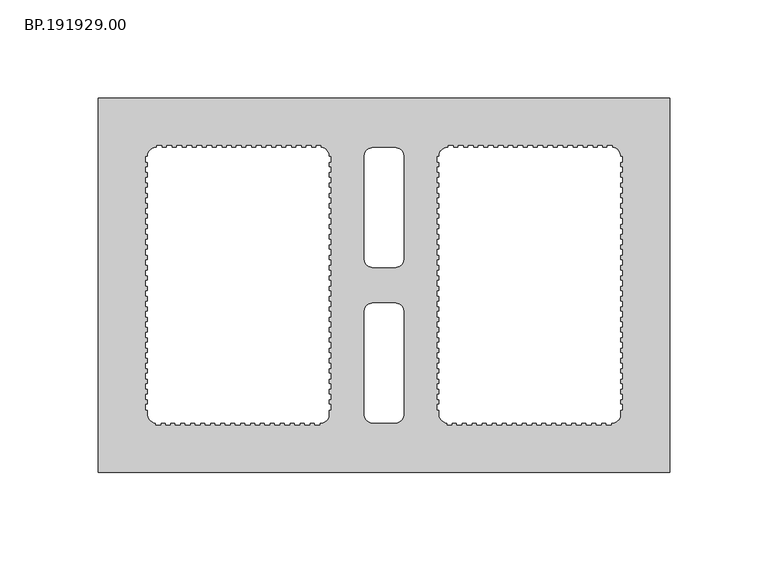
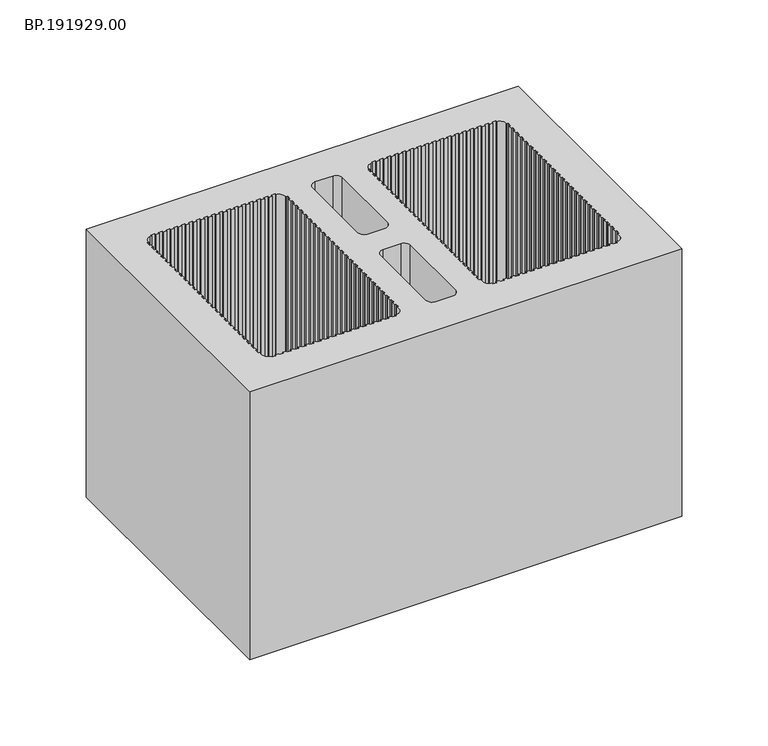
"""IFC4 building model written with IfcOpenShell, lengths in millimetres: proxy geometry, BP.191929.00."""

import ifcopenshell
import ifcopenshell.guid

model = None  # the IFC model being written
_history = None  # IfcOwnerHistory: only IFC2X3 demands one
_inside = {}  # id of a spatial element -> (the spatial element, [elements in it])
_under = {}  # id of a project, library or spatial element -> (it, [spatial elements below it])
_declared = {}  # id of a project -> (the project, [libraries it declares])
_typed = {}  # id of a type object -> (the type object, [elements of that type])
_made_of = {}  # id of a material, layer set ... -> (it, [elements and type objects made of it])


def new_model(schema):
    """Start an empty IFC model of exactly this schema.

    Asked for "IFC4X3", IfcOpenShell would pick the latest addendum, in which some entities
    have other attributes; the version numbers below select the first issue.
    IFC2X3 requires an IfcOwnerHistory on every rooted entity: one is made here for all.
    """
    global model, _history
    if schema == "IFC4X3":
        model = ifcopenshell.file(schema_version=(4, 3, 0, 0))
    else:
        model = ifcopenshell.file(schema=schema)
    _inside.clear()
    _under.clear()
    _declared.clear()
    _typed.clear()
    _made_of.clear()
    _history = None
    if model.schema == "IFC2X3":
        org = make("IfcOrganization", Name="unknown")
        user = make(
            "IfcPersonAndOrganization",
            ThePerson=make("IfcPerson", FamilyName="unknown"),
            TheOrganization=org,
        )
        app = make(
            "IfcApplication",
            ApplicationDeveloper=org,
            Version="unknown",
            ApplicationFullName="unknown",
            ApplicationIdentifier="unknown",
        )
        _history = make(
            "IfcOwnerHistory",
            OwningUser=user,
            OwningApplication=app,
            ChangeAction="ADDED",
            CreationDate=0,
        )
    return model


def make(cls, **values):
    """One entity of the class cls with the attributes given. An attribute that is None is left unset."""
    return model.create_entity(
        cls, **{name: value for name, value in values.items() if value is not None}
    )


def rooted(cls, **values):
    """An entity with a GlobalId (a new one), such as an element, a storey or a relation."""
    return make(cls, GlobalId=ifcopenshell.guid.new(), OwnerHistory=_history, **values)


def si_unit(unit_type, name, prefix=None):
    """IfcSIUnit, for example si_unit("LENGTHUNIT", "METRE", prefix="MILLI")."""
    return make("IfcSIUnit", UnitType=unit_type, Prefix=prefix, Name=name)


def assignment(units):
    """IfcUnitAssignment: the units of a project."""
    return None if units is None else make("IfcUnitAssignment", Units=units)


def point(xyz):
    """IfcCartesianPoint."""
    return None if xyz is None else make("IfcCartesianPoint", Coordinates=xyz)


def direction(xyz):
    """IfcDirection."""
    return None if xyz is None else make("IfcDirection", DirectionRatios=xyz)


def frame(location, z_axis=None, x_axis=None):
    """IfcAxis2Placement3D, a coordinate frame: its origin and axes. An axis left out is left unset."""
    return make(
        "IfcAxis2Placement3D",
        Location=point(location),
        Axis=direction(z_axis),
        RefDirection=direction(x_axis),
    )


def frame_2d(location, x_axis=None):
    """IfcAxis2Placement2D, a coordinate frame in the plane: its origin and x axis."""
    return make(
        "IfcAxis2Placement2D", Location=point(location), RefDirection=direction(x_axis)
    )


def origin():
    """The frame at (0, 0, 0) with its axes left unset."""
    return frame((0.0, 0.0, 0.0))


def origin_with_axes():
    """The frame at (0, 0, 0) with the z axis (0, 0, 1) and the x axis (1, 0, 0) written out."""
    return frame((0.0, 0.0, 0.0), z_axis=(0.0, 0.0, 1.0), x_axis=(1.0, 0.0, 0.0))


def place(relative_to, where):
    """IfcLocalPlacement: puts the frame where relative to a parent placement (None: the world)."""
    return make(
        "IfcLocalPlacement", PlacementRelTo=relative_to, RelativePlacement=where
    )


def context(
    kind, dimensions, precision=None, world=None, true_north=None, identifier=None
):
    """IfcGeometricRepresentationContext, for example the 3D "Model" context."""
    return make(
        "IfcGeometricRepresentationContext",
        ContextIdentifier=identifier,
        ContextType=kind,
        CoordinateSpaceDimension=dimensions,
        Precision=precision,
        WorldCoordinateSystem=world,
        TrueNorth=true_north,
    )


def project(units=None, contexts=None):
    """IfcProject with its units and contexts."""
    return rooted(
        "IfcProject",
        Name="project",
        RepresentationContexts=contexts,
        UnitsInContext=assignment(units),
    )


def spatial(cls, under=None, at=None, **own):
    """A site, building, storey or space (cls), placed at a placement, below another one or the project."""
    s = rooted(cls, ObjectPlacement=at, **own)
    if under is not None:
        _under.setdefault(under.id(), (under, []))[1].append(s)
    return s


def polyline(points):
    """IfcPolyline through the points."""
    return make("IfcPolyline", Points=[point(p) for p in points])


def circle_curve(where, radius):
    """IfcCircle in the frame where."""
    return make("IfcCircle", Position=where, Radius=radius)


def trimmed(basis, trim1, trim2, sense, master):
    """IfcTrimmedCurve: the piece of a basis curve between two trims."""
    return make(
        "IfcTrimmedCurve",
        BasisCurve=basis,
        Trim1=trim1,
        Trim2=trim2,
        SenseAgreement=sense,
        MasterRepresentation=master,
    )


def segment(curve, same_sense, transition):
    """IfcCompositeCurveSegment."""
    return make(
        "IfcCompositeCurveSegment",
        Transition=transition,
        SameSense=same_sense,
        ParentCurve=curve,
    )


def composite_curve(segments, self_intersect=None):
    """IfcCompositeCurve: segments joined end to end."""
    return make("IfcCompositeCurve", Segments=segments, SelfIntersect=self_intersect)


def outline(outer, holes=None, kind="AREA"):
    """IfcArbitraryClosedProfileDef: a profile drawn as a closed curve; with holes, ...WithVoids."""
    if holes is None:
        return make("IfcArbitraryClosedProfileDef", ProfileType=kind, OuterCurve=outer)
    return make(
        "IfcArbitraryProfileDefWithVoids",
        ProfileType=kind,
        OuterCurve=outer,
        InnerCurves=holes,
    )


def extrude(swept, where, along, depth):
    """IfcExtrudedAreaSolid: the profile swept, set in the frame where, extruded along a direction by depth."""
    return make(
        "IfcExtrudedAreaSolid",
        SweptArea=swept,
        Position=where,
        ExtrudedDirection=direction(along),
        Depth=depth,
    )


def shape(context_of_items, identifier, shape_type, items):
    """IfcShapeRepresentation: the items that make up one representation, for example the "Body"."""
    return make(
        "IfcShapeRepresentation",
        ContextOfItems=context_of_items,
        RepresentationIdentifier=identifier,
        RepresentationType=shape_type,
        Items=items,
    )


def source(mapping_origin, context_of_items, identifier, shape_type, items):
    """IfcRepresentationMap: a shape defined once, which mapped items show again and again."""
    return make(
        "IfcRepresentationMap",
        MappingOrigin=mapping_origin,
        MappedRepresentation=shape(context_of_items, identifier, shape_type, items),
    )


def transform(
    local_origin,
    x_axis=None,
    y_axis=None,
    z_axis=None,
    scale=None,
    scale2=None,
    scale3=None,
    uniform=True,
):
    """IfcCartesianTransformationOperator3D, or its non-uniform kind. x_axis, y_axis, z_axis: its Axis1, 2, 3."""
    if uniform:
        return make(
            "IfcCartesianTransformationOperator3D",
            Axis1=direction(x_axis),
            Axis2=direction(y_axis),
            LocalOrigin=point(local_origin),
            Scale=scale,
            Axis3=direction(z_axis),
        )
    return make(
        "IfcCartesianTransformationOperator3DnonUniform",
        Axis1=direction(x_axis),
        Axis2=direction(y_axis),
        LocalOrigin=point(local_origin),
        Scale=scale,
        Axis3=direction(z_axis),
        Scale2=scale2,
        Scale3=scale3,
    )


def mapped(mapping_source, mapping_target):
    """IfcMappedItem: shows the shape of a source again, moved by a transform."""
    return make(
        "IfcMappedItem", MappingSource=mapping_source, MappingTarget=mapping_target
    )


def made_of(thing, what):
    """Note that an element or type object is made of a material, layer set ...; save() writes the relation."""
    if what is not None:
        _made_of.setdefault(what.id(), (what, []))[1].append(thing)
    return thing


def element(
    cls,
    number,
    at=None,
    inside=None,
    cuts=None,
    type_object=None,
    material=None,
    context=None,
    identifier="Body",
    shape_type=None,
    held_by="IfcProductDefinitionShape",
    body=None,
    shapes=None,
    **own,
):
    """One element of the class cls, such as IfcWall. Its Tag is "e" and its number.

    at: its placement. inside: the storey or other place that contains it. cuts: it is an
    opening in that element (IfcRelVoidsElement). A single representation is given by context,
    identifier, shape_type and body (its items); several are given by shapes. held_by: the class
    of the entity that holds the representations. save() writes the other relations.
    """
    e = rooted(cls, Tag="e%d" % number, ObjectPlacement=at, **own)
    if body is not None:
        shapes = [shape(context, identifier, shape_type, body)]
    if shapes is not None:
        e.Representation = make(held_by, Representations=shapes)
    if inside is not None:
        _inside.setdefault(inside.id(), (inside, []))[1].append(e)
    if cuts is not None:
        rooted(
            "IfcRelVoidsElement", RelatingBuildingElement=cuts, RelatedOpeningElement=e
        )
    if type_object is not None:
        _typed.setdefault(type_object.id(), (type_object, []))[1].append(e)
    return made_of(e, material)


def aggregate(whole, parts):
    """IfcRelAggregates: a whole, such as a stair, and the parts it consists of."""
    return rooted("IfcRelAggregates", RelatingObject=whole, RelatedObjects=parts)


def save(model, path):
    """Write the relations noted so far, then the file.

    IfcRelAggregates (storeys below a building ...), IfcRelContainedInSpatialStructure (elements
    in a storey), IfcRelDefinesByType, IfcRelAssociatesMaterial and IfcRelDeclares: one each for
    every whole, place, type object, material and project.
    """
    for whole, parts in _under.values():
        aggregate(whole, parts)
    for where, things in _inside.values():
        rooted(
            "IfcRelContainedInSpatialStructure",
            RelatedElements=things,
            RelatingStructure=where,
        )
    for kind, things in _typed.values():
        rooted("IfcRelDefinesByType", RelatedObjects=things, RelatingType=kind)
    for what, things in _made_of.values():
        rooted("IfcRelAssociatesMaterial", RelatedObjects=things, RelatingMaterial=what)
    for by, libraries in _declared.values():
        rooted("IfcRelDeclares", RelatingContext=by, RelatedDefinitions=libraries)
    model.write(path)


def bp_191929_00_f88e4eef(model_context):
    return source(origin(), model_context, "Body", "SweptSolid", [
        extrude(outline(polyline([(295.0, 95.0050792), (295.0, -95.0050293), (5.0, -95.0050293), (5.0, 95.0050792), (295.0, 95.0050792)]), holes=[composite_curve([segment(trimmed(circle_curve(frame_2d((155.5251263, 65.5251762)), 4.5), [point((160.0, 66.0000499))], [point((156.0, 70.0000499))], True, "CARTESIAN"), True, "CONTINUOUS"), segment(polyline([(156.0, 70.0000499), (144.0, 70.0000499)]), True, "CONTINUOUS"), segment(trimmed(circle_curve(frame_2d((144.4748737, 65.5251762)), 4.5), [point((144.0, 70.0000499))], [point((140.0, 66.0000499))], True, "CARTESIAN"), True, "CONTINUOUS"), segment(polyline([(140.0, 66.0000499), (140.0, 13.0)]), True, "CONTINUOUS"), segment(trimmed(circle_curve(frame_2d((144.4748737, 13.4748737)), 4.5), [point((140.0, 13.0))], [point((144.0, 9.0))], True, "CARTESIAN"), True, "CONTINUOUS"), segment(polyline([(144.0, 9.0), (156.0, 9.0)]), True, "CONTINUOUS"), segment(trimmed(circle_curve(frame_2d((155.5251263, 13.4748737)), 4.5), [point((156.0, 9.0))], [point((160.0, 13.0))], True, "CARTESIAN"), True, "CONTINUOUS"), segment(polyline([(160.0, 13.0), (160.0, 66.0000499)]), True, "CONTINUOUS")], self_intersect=False), composite_curve([segment(trimmed(circle_curve(frame_2d((155.5251263, -13.4748737)), 4.5), [point((160.0, -13.0))], [point((156.0, -9.0))], True, "CARTESIAN"), True, "CONTINUOUS"), segment(polyline([(156.0, -9.0), (144.0, -9.0)]), True, "CONTINUOUS"), segment(trimmed(circle_curve(frame_2d((144.4748737, -13.4748737)), 4.5), [point((144.0, -9.0))], [point((140.0, -13.0))], True, "CARTESIAN"), True, "CONTINUOUS"), segment(polyline([(140.0, -13.0), (140.0, -66.0048718)]), True, "CONTINUOUS"), segment(trimmed(circle_curve(frame_2d((144.4748737, -65.529998)), 4.5), [point((140.0, -66.0048718))], [point((144.0, -70.0048718))], True, "CARTESIAN"), True, "CONTINUOUS"), segment(polyline([(144.0, -70.0048718), (156.0, -70.0048718)]), True, "CONTINUOUS"), segment(trimmed(circle_curve(frame_2d((155.5251263, -65.529998)), 4.5), [point((156.0, -70.0048718))], [point((160.0, -66.0048718))], True, "CARTESIAN"), True, "CONTINUOUS"), segment(polyline([(160.0, -66.0048718), (160.0, -13.0)]), True, "CONTINUOUS")], self_intersect=False), composite_curve([segment(polyline([(182.6750499, 71.0), (182.6750499, 70.0), (181.4383621, 70.0)]), True, "CONTINUOUS"), segment(trimmed(circle_curve(frame_2d((182.3967987, 65.6032513)), 4.5), [point((181.4383621, 70.0))], [point((178.0000499, 66.5616878))], True, "CARTESIAN"), True, "CONTINUOUS"), segment(polyline([(178.0000499, 66.5616878), (178.0000499, 65.2989234), (177.0000499, 65.2989234), (177.0000499, 62.6763775), (178.0000499, 62.6763775), (178.0000499, 60.0538315), (177.0000499, 60.0538315), (177.0000499, 57.4312856), (178.0000499, 57.4312856), (178.0000499, 54.8087397), (177.0000499, 54.8087397), (177.0000499, 52.1861938), (178.0000499, 52.1861938), (178.0000499, 49.5636479), (177.0000499, 49.5636479), (177.0000499, 46.941102), (178.0000499, 46.941102), (178.0000499, 44.318556), (177.0000499, 44.318556), (177.0000499, 41.6960101), (178.0000499, 41.6960101), (178.0000499, 39.0734642), (177.0000499, 39.0734642), (177.0000499, 36.4509183), (178.0000499, 36.4509183), (178.0000499, 33.8283724), (177.0000499, 33.8283724), (177.0000499, 31.2058265), (178.0000499, 31.2058265), (178.0000499, 28.5832806), (177.0000499, 28.5832806), (177.0000499, 25.9607346), (178.0000499, 25.9607346), (178.0000499, 23.3381887), (177.0000499, 23.3381887), (177.0000499, 20.7156428), (178.0000499, 20.7156428), (178.0000499, 18.0930969), (177.0000499, 18.0930969), (177.0000499, 15.470551), (178.0000499, 15.470551), (178.0000499, 12.8480051), (177.0000499, 12.8480051), (177.0000499, 10.2254592), (178.0000499, 10.2254592), (178.0000499, 7.6029132), (177.0000499, 7.6029132), (177.0000499, 4.9803673), (178.0000499, 4.9803673), (178.0000499, 2.3578214), (177.0000499, 2.3578214), (177.0000499, -0.2647245), (178.0000499, -0.2647245), (178.0000499, -2.8872704), (177.0000499, -2.8872704), (177.0000499, -5.5098163), (178.0000499, -5.5098163), (178.0000499, -8.1323623), (177.0000499, -8.1323623), (177.0000499, -10.7549082), (178.0000499, -10.7549082), (178.0000499, -13.3774541), (177.0000499, -13.3774541), (177.0000499, -16.0), (178.0000499, -16.0), (178.0000499, -18.6225459), (177.0000499, -18.6225459), (177.0000499, -21.2450918), (178.0000499, -21.2450918), (178.0000499, -23.8676377), (177.0000499, -23.8676377), (177.0000499, -26.4901837), (178.0000499, -26.4901837), (178.0000499, -29.1127296), (177.0000499, -29.1127296), (177.0000499, -31.7352755), (178.0000499, -31.7352755), (178.0000499, -34.3578214), (177.0000499, -34.3578214), (177.0000499, -36.9803673), (178.0000499, -36.9803673), (178.0000499, -39.6029132), (177.0000499, -39.6029132), (177.0000499, -42.2254592), (178.0000499, -42.2254592), (178.0000499, -44.8480051), (177.0000499, -44.8480051), (177.0000499, -47.470551), (178.0000499, -47.470551), (178.0000499, -50.0930969), (177.0000499, -50.0930969), (177.0000499, -52.7156428), (178.0000499, -52.7156428), (178.0000499, -55.3381887), (177.0000499, -55.3381887), (177.0000499, -57.9607346), (178.0000499, -57.9607346), (178.0000499, -60.5832806), (177.0000499, -60.5832806), (177.0000499, -63.2058265), (178.0000499, -63.2058265), (178.0000499, -66.0)]), True, "CONTINUOUS"), segment(trimmed(circle_curve(frame_2d((182.4749237, -65.5251263)), 4.5), [point((178.0000499, -66.0))], [point((182.0000499, -70.0))], True, "CARTESIAN"), True, "CONTINUOUS"), segment(polyline([(182.0000499, -70.0), (182.0000499, -71.0), (184.5250499, -71.0), (184.5250499, -70.0), (187.0500499, -70.0), (187.0500499, -71.0), (189.5750499, -71.0), (189.5750499, -70.0), (192.1000499, -70.0), (192.1000499, -71.0), (194.6250499, -71.0), (194.6250499, -70.0), (197.1500499, -70.0), (197.1500499, -71.0), (199.6750499, -71.0), (199.6750499, -70.0), (202.2000499, -70.0), (202.2000499, -71.0), (204.7250499, -71.0), (204.7250499, -70.0), (207.2500499, -70.0), (207.2500499, -71.0), (209.7750499, -71.0), (209.7750499, -70.0), (212.3000499, -70.0), (212.3000499, -71.0), (214.8250499, -71.0), (214.8250499, -70.0), (217.3500499, -70.0), (217.3500499, -71.0), (219.8750499, -71.0), (219.8750499, -70.0), (222.4000499, -70.0), (222.4000499, -71.0), (224.9250499, -71.0), (224.9250499, -70.0), (227.4500499, -70.0), (227.4500499, -71.0), (229.9750499, -71.0), (229.9750499, -70.0), (232.5000499, -70.0), (232.5000499, -71.0), (235.0250499, -71.0), (235.0250499, -70.0), (237.5500499, -70.0), (237.5500499, -71.0), (240.0750499, -71.0), (240.0750499, -70.0), (242.6000499, -70.0), (242.6000499, -71.0), (245.1250499, -71.0), (245.1250499, -70.0), (247.6500499, -70.0), (247.6500499, -71.0), (250.1750499, -71.0), (250.1750499, -70.0), (252.7000499, -70.0), (252.7000499, -71.0), (255.2250499, -71.0), (255.2250499, -70.0), (257.7500499, -70.0), (257.7500499, -71.0), (260.2750499, -71.0), (260.2750499, -70.0), (262.8000499, -70.0), (262.8000499, -71.0), (265.3250499, -71.0), (265.3250499, -70.0), (266.1562999, -70.0)]), True, "CONTINUOUS"), segment(trimmed(circle_curve(frame_2d((265.6814262, -65.5251263)), 4.5), [point((266.1562999, -70.0))], [point((270.0000499, -66.7898353))], True, "CARTESIAN"), True, "CONTINUOUS"), segment(polyline([(270.0000499, -66.7898353), (270.0000499, -63.2058265), (271.0000499, -63.2058265), (271.0000499, -60.5832806), (270.0000499, -60.5832806), (270.0000499, -57.9607346), (271.0000499, -57.9607346), (271.0000499, -55.3381887), (270.0000499, -55.3381887), (270.0000499, -52.7156428), (271.0000499, -52.7156428), (271.0000499, -50.0930969), (270.0000499, -50.0930969), (270.0000499, -47.470551), (271.0000499, -47.470551), (271.0000499, -44.8480051), (270.0000499, -44.8480051), (270.0000499, -42.2254592), (271.0000499, -42.2254592), (271.0000499, -39.6029132), (270.0000499, -39.6029132), (270.0000499, -36.9803673), (271.0000499, -36.9803673), (271.0000499, -34.3578214), (270.0000499, -34.3578214), (270.0000499, -31.7352755), (271.0000499, -31.7352755), (271.0000499, -29.1127296), (270.0000499, -29.1127296), (270.0000499, -26.4901837), (271.0000499, -26.4901837), (271.0000499, -23.8676377), (270.0000499, -23.8676377), (270.0000499, -21.2450918), (271.0000499, -21.2450918), (271.0000499, -18.6225459), (270.0000499, -18.6225459), (270.0000499, -16.0), (271.0000499, -16.0), (271.0000499, -13.3774541), (270.0000499, -13.3774541), (270.0000499, -10.7549082), (271.0000499, -10.7549082), (271.0000499, -8.1323623), (270.0000499, -8.1323623), (270.0000499, -5.5098163), (271.0000499, -5.5098163), (271.0000499, -2.8872704), (270.0000499, -2.8872704), (270.0000499, -0.2647245), (271.0000499, -0.2647245), (271.0000499, 2.3578214), (270.0000499, 2.3578214), (270.0000499, 4.9803673), (271.0000499, 4.9803673), (271.0000499, 7.6029132), (270.0000499, 7.6029132), (270.0000499, 10.2254592), (271.0000499, 10.2254592), (271.0000499, 12.8480051), (270.0000499, 12.8480051), (270.0000499, 15.470551), (271.0000499, 15.470551), (271.0000499, 18.0930969), (270.0000499, 18.0930969), (270.0000499, 20.7156428), (271.0000499, 20.7156428), (271.0000499, 23.3381887), (270.0000499, 23.3381887), (270.0000499, 25.9607346), (271.0000499, 25.9607346), (271.0000499, 28.5832806), (270.0000499, 28.5832806), (270.0000499, 31.2058265), (271.0000499, 31.2058265), (271.0000499, 33.8283724), (270.0000499, 33.8283724), (270.0000499, 36.4509183), (271.0000499, 36.4509183), (271.0000499, 39.0734642), (270.0000499, 39.0734642), (270.0000499, 41.6960101), (271.0000499, 41.6960101), (271.0000499, 44.318556), (270.0000499, 44.318556), (270.0000499, 46.941102), (271.0000499, 46.941102), (271.0000499, 49.5636479), (270.0000499, 49.5636479), (270.0000499, 52.1861938), (271.0000499, 52.1861938), (271.0000499, 54.8087397), (270.0000499, 54.8087397), (270.0000499, 57.4312856), (271.0000499, 57.4312856), (271.0000499, 60.0538315), (270.0000499, 60.0538315), (270.0000499, 62.6763775), (271.0000499, 62.6763775), (271.0000499, 65.2989234), (270.0000499, 65.2989234), (270.0000499, 66.1171875)]), True, "CONTINUOUS"), segment(trimmed(circle_curve(frame_2d((265.5251762, 65.6423138)), 4.5), [point((270.0000499, 66.1171875))], [point((266.0000499, 70.1171875))], True, "CARTESIAN"), True, "CONTINUOUS"), segment(polyline([(266.0000499, 70.1171875), (266.0000499, 71.0), (263.4750499, 71.0), (263.4750499, 70.0), (260.9500499, 70.0), (260.9500499, 71.0), (258.4250499, 71.0), (258.4250499, 70.0), (255.9000499, 70.0), (255.9000499, 71.0), (253.3750499, 71.0), (253.3750499, 70.0), (250.8500499, 70.0), (250.8500499, 71.0), (248.3250499, 71.0), (248.3250499, 70.0), (245.8000499, 70.0), (245.8000499, 71.0), (243.2750499, 71.0), (243.2750499, 70.0), (240.7500499, 70.0), (240.7500499, 71.0), (238.2250499, 71.0), (238.2250499, 70.0), (235.7000499, 70.0), (235.7000499, 71.0), (233.1750499, 71.0), (233.1750499, 70.0), (230.6500499, 70.0), (230.6500499, 71.0), (228.1250499, 71.0), (228.1250499, 70.0), (225.6000499, 70.0), (225.6000499, 71.0), (223.0750499, 71.0), (223.0750499, 70.0), (220.5500499, 70.0), (220.5500499, 71.0), (218.0250499, 71.0), (218.0250499, 70.0), (215.5000499, 70.0), (215.5000499, 71.0), (212.9750499, 71.0), (212.9750499, 70.0), (210.4500499, 70.0), (210.4500499, 71.0), (207.9250499, 71.0), (207.9250499, 70.0), (205.4000499, 70.0), (205.4000499, 71.0), (202.8750499, 71.0), (202.8750499, 70.0), (200.3500499, 70.0), (200.3500499, 71.0), (197.8250499, 71.0), (197.8250499, 70.0), (195.3000499, 70.0), (195.3000499, 71.0), (192.7750499, 71.0), (192.7750499, 70.0), (190.2500499, 70.0), (190.2500499, 71.0), (187.7250499, 71.0), (187.7250499, 70.0), (185.2000499, 70.0), (185.2000499, 71.0), (182.6750499, 71.0)]), True, "CONTINUOUS")], self_intersect=False), composite_curve([segment(polyline([(34.6750499, 71.0), (34.6750499, 70.0), (33.4383621, 70.0)]), True, "CONTINUOUS"), segment(trimmed(circle_curve(frame_2d((34.3967987, 65.6032513)), 4.5), [point((33.4383621, 70.0))], [point((30.0000499, 66.5616878))], True, "CARTESIAN"), True, "CONTINUOUS"), segment(polyline([(30.0000499, 66.5616878), (30.0000499, 65.2989234), (29.0000499, 65.2989234), (29.0000499, 62.6763775), (30.0000499, 62.6763775), (30.0000499, 60.0538315), (29.0000499, 60.0538315), (29.0000499, 57.4312856), (30.0000499, 57.4312856), (30.0000499, 54.8087397), (29.0000499, 54.8087397), (29.0000499, 52.1861938), (30.0000499, 52.1861938), (30.0000499, 49.5636479), (29.0000499, 49.5636479), (29.0000499, 46.941102), (30.0000499, 46.941102), (30.0000499, 44.318556), (29.0000499, 44.318556), (29.0000499, 41.6960101), (30.0000499, 41.6960101), (30.0000499, 39.0734642), (29.0000499, 39.0734642), (29.0000499, 36.4509183), (30.0000499, 36.4509183), (30.0000499, 33.8283724), (29.0000499, 33.8283724), (29.0000499, 31.2058265), (30.0000499, 31.2058265), (30.0000499, 28.5832806), (29.0000499, 28.5832806), (29.0000499, 25.9607346), (30.0000499, 25.9607346), (30.0000499, 23.3381887), (29.0000499, 23.3381887), (29.0000499, 20.7156428), (30.0000499, 20.7156428), (30.0000499, 18.0930969), (29.0000499, 18.0930969), (29.0000499, 15.470551), (30.0000499, 15.470551), (30.0000499, 12.8480051), (29.0000499, 12.8480051), (29.0000499, 10.2254592), (30.0000499, 10.2254592), (30.0000499, 7.6029132), (29.0000499, 7.6029132), (29.0000499, 4.9803673), (30.0000499, 4.9803673), (30.0000499, 2.3578214), (29.0000499, 2.3578214), (29.0000499, -0.2647245), (30.0000499, -0.2647245), (30.0000499, -2.8872704), (29.0000499, -2.8872704), (29.0000499, -5.5098163), (30.0000499, -5.5098163), (30.0000499, -8.1323623), (29.0000499, -8.1323623), (29.0000499, -10.7549082), (30.0000499, -10.7549082), (30.0000499, -13.3774541), (29.0000499, -13.3774541), (29.0000499, -16.0), (30.0000499, -16.0), (30.0000499, -18.6225459), (29.0000499, -18.6225459), (29.0000499, -21.2450918), (30.0000499, -21.2450918), (30.0000499, -23.8676377), (29.0000499, -23.8676377), (29.0000499, -26.4901837), (30.0000499, -26.4901837), (30.0000499, -29.1127296), (29.0000499, -29.1127296), (29.0000499, -31.7352755), (30.0000499, -31.7352755), (30.0000499, -34.3578214), (29.0000499, -34.3578214), (29.0000499, -36.9803673), (30.0000499, -36.9803673), (30.0000499, -39.6029132), (29.0000499, -39.6029132), (29.0000499, -42.2254592), (30.0000499, -42.2254592), (30.0000499, -44.8480051), (29.0000499, -44.8480051), (29.0000499, -47.470551), (30.0000499, -47.470551), (30.0000499, -50.0930969), (29.0000499, -50.0930969), (29.0000499, -52.7156428), (30.0000499, -52.7156428), (30.0000499, -55.3381887), (29.0000499, -55.3381887), (29.0000499, -57.9607346), (30.0000499, -57.9607346), (30.0000499, -60.5832806), (29.0000499, -60.5832806), (29.0000499, -63.2058265), (30.0000499, -63.2058265), (30.0000499, -66.0)]), True, "CONTINUOUS"), segment(trimmed(circle_curve(frame_2d((34.4749237, -65.5251263)), 4.5), [point((30.0000499, -66.0))], [point((34.0000499, -70.0))], True, "CARTESIAN"), True, "CONTINUOUS"), segment(polyline([(34.0000499, -70.0), (34.0000499, -71.0), (36.5250499, -71.0), (36.5250499, -70.0), (39.0500499, -70.0), (39.0500499, -71.0), (41.5750499, -71.0), (41.5750499, -70.0), (44.1000499, -70.0), (44.1000499, -71.0), (46.6250499, -71.0), (46.6250499, -70.0), (49.1500499, -70.0), (49.1500499, -71.0), (51.6750499, -71.0), (51.6750499, -70.0), (54.2000499, -70.0), (54.2000499, -71.0), (56.7250499, -71.0), (56.7250499, -70.0), (59.2500499, -70.0), (59.2500499, -71.0), (61.7750499, -71.0), (61.7750499, -70.0), (64.3000499, -70.0), (64.3000499, -71.0), (66.8250499, -71.0), (66.8250499, -70.0), (69.3500499, -70.0), (69.3500499, -71.0), (71.8750499, -71.0), (71.8750499, -70.0), (74.4000499, -70.0), (74.4000499, -71.0), (76.9250499, -71.0), (76.9250499, -70.0), (79.4500499, -70.0), (79.4500499, -71.0), (81.9750499, -71.0), (81.9750499, -70.0), (84.5000499, -70.0), (84.5000499, -71.0), (87.0250499, -71.0), (87.0250499, -70.0), (89.5500499, -70.0), (89.5500499, -71.0), (92.0750499, -71.0), (92.0750499, -70.0), (94.6000499, -70.0), (94.6000499, -71.0), (97.1250499, -71.0), (97.1250499, -70.0), (99.6500499, -70.0), (99.6500499, -71.0), (102.1750499, -71.0), (102.1750499, -70.0), (104.7000499, -70.0), (104.7000499, -71.0), (107.2250499, -71.0), (107.2250499, -70.0), (109.7500499, -70.0), (109.7500499, -71.0), (112.2750499, -71.0), (112.2750499, -70.0), (114.8000499, -70.0), (114.8000499, -71.0), (117.3250499, -71.0), (117.3250499, -70.0), (118.1562999, -70.0)]), True, "CONTINUOUS"), segment(trimmed(circle_curve(frame_2d((117.6814262, -65.5251263)), 4.5), [point((118.1562999, -70.0))], [point((122.0000499, -66.7898353))], True, "CARTESIAN"), True, "CONTINUOUS"), segment(polyline([(122.0000499, -66.7898353), (122.0000499, -63.2058265), (123.0000499, -63.2058265), (123.0000499, -60.5832806), (122.0000499, -60.5832806), (122.0000499, -57.9607346), (123.0000499, -57.9607346), (123.0000499, -55.3381887), (122.0000499, -55.3381887), (122.0000499, -52.7156428), (123.0000499, -52.7156428), (123.0000499, -50.0930969), (122.0000499, -50.0930969), (122.0000499, -47.470551), (123.0000499, -47.470551), (123.0000499, -44.8480051), (122.0000499, -44.8480051), (122.0000499, -42.2254592), (123.0000499, -42.2254592), (123.0000499, -39.6029132), (122.0000499, -39.6029132), (122.0000499, -36.9803673), (123.0000499, -36.9803673), (123.0000499, -34.3578214), (122.0000499, -34.3578214), (122.0000499, -31.7352755), (123.0000499, -31.7352755), (123.0000499, -29.1127296), (122.0000499, -29.1127296), (122.0000499, -26.4901837), (123.0000499, -26.4901837), (123.0000499, -23.8676377), (122.0000499, -23.8676377), (122.0000499, -21.2450918), (123.0000499, -21.2450918), (123.0000499, -18.6225459), (122.0000499, -18.6225459), (122.0000499, -16.0), (123.0000499, -16.0), (123.0000499, -13.3774541), (122.0000499, -13.3774541), (122.0000499, -10.7549082), (123.0000499, -10.7549082), (123.0000499, -8.1323623), (122.0000499, -8.1323623), (122.0000499, -5.5098163), (123.0000499, -5.5098163), (123.0000499, -2.8872704), (122.0000499, -2.8872704), (122.0000499, -0.2647245), (123.0000499, -0.2647245), (123.0000499, 2.3578214), (122.0000499, 2.3578214), (122.0000499, 4.9803673), (123.0000499, 4.9803673), (123.0000499, 7.6029132), (122.0000499, 7.6029132), (122.0000499, 10.2254592), (123.0000499, 10.2254592), (123.0000499, 12.8480051), (122.0000499, 12.8480051), (122.0000499, 15.470551), (123.0000499, 15.470551), (123.0000499, 18.0930969), (122.0000499, 18.0930969), (122.0000499, 20.7156428), (123.0000499, 20.7156428), (123.0000499, 23.3381887), (122.0000499, 23.3381887), (122.0000499, 25.9607346), (123.0000499, 25.9607346), (123.0000499, 28.5832806), (122.0000499, 28.5832806), (122.0000499, 31.2058265), (123.0000499, 31.2058265), (123.0000499, 33.8283724), (122.0000499, 33.8283724), (122.0000499, 36.4509183), (123.0000499, 36.4509183), (123.0000499, 39.0734642), (122.0000499, 39.0734642), (122.0000499, 41.6960101), (123.0000499, 41.6960101), (123.0000499, 44.318556), (122.0000499, 44.318556), (122.0000499, 46.941102), (123.0000499, 46.941102), (123.0000499, 49.5636479), (122.0000499, 49.5636479), (122.0000499, 52.1861938), (123.0000499, 52.1861938), (123.0000499, 54.8087397), (122.0000499, 54.8087397), (122.0000499, 57.4312856), (123.0000499, 57.4312856), (123.0000499, 60.0538315), (122.0000499, 60.0538315), (122.0000499, 62.6763775), (123.0000499, 62.6763775), (123.0000499, 65.2989234), (122.0000499, 65.2989234), (122.0000499, 66.1171875)]), True, "CONTINUOUS"), segment(trimmed(circle_curve(frame_2d((117.5251762, 65.6423138)), 4.5), [point((122.0000499, 66.1171875))], [point((118.0000499, 70.1171875))], True, "CARTESIAN"), True, "CONTINUOUS"), segment(polyline([(118.0000499, 70.1171875), (118.0000499, 71.0), (115.4750499, 71.0), (115.4750499, 70.0), (112.9500499, 70.0), (112.9500499, 71.0), (110.4250499, 71.0), (110.4250499, 70.0), (107.9000499, 70.0), (107.9000499, 71.0), (105.3750499, 71.0), (105.3750499, 70.0), (102.8500499, 70.0), (102.8500499, 71.0), (100.3250499, 71.0), (100.3250499, 70.0), (97.8000499, 70.0), (97.8000499, 71.0), (95.2750499, 71.0), (95.2750499, 70.0), (92.7500499, 70.0), (92.7500499, 71.0), (90.2250499, 71.0), (90.2250499, 70.0), (87.7000499, 70.0), (87.7000499, 71.0), (85.1750499, 71.0), (85.1750499, 70.0), (82.6500499, 70.0), (82.6500499, 71.0), (80.1250499, 71.0), (80.1250499, 70.0), (77.6000499, 70.0), (77.6000499, 71.0), (75.0750499, 71.0), (75.0750499, 70.0), (72.5500499, 70.0), (72.5500499, 71.0), (70.0250499, 71.0), (70.0250499, 70.0), (67.5000499, 70.0), (67.5000499, 71.0), (64.9750499, 71.0), (64.9750499, 70.0), (62.4500499, 70.0), (62.4500499, 71.0), (59.9250499, 71.0), (59.9250499, 70.0), (57.4000499, 70.0), (57.4000499, 71.0), (54.8750499, 71.0), (54.8750499, 70.0), (52.3500499, 70.0), (52.3500499, 71.0), (49.8250499, 71.0), (49.8250499, 70.0), (47.3000499, 70.0), (47.3000499, 71.0), (44.7750499, 71.0), (44.7750499, 70.0), (42.2500499, 70.0), (42.2500499, 71.0), (39.7250499, 71.0), (39.7250499, 70.0), (37.2000499, 70.0), (37.2000499, 71.0), (34.6750499, 71.0)]), True, "CONTINUOUS")], self_intersect=False)]), origin_with_axes(), (0.0, 0.0, 1.0), 190.0),
    ])


if __name__ == "__main__":
    model = new_model("IFC4")
    model_context = context("Model", 3, world=origin())
    ifc_project = project(units=[si_unit("LENGTHUNIT", "METRE", prefix="MILLI")], contexts=[model_context])
    site = spatial("IfcSite", under=ifc_project)
    building = spatial("IfcBuilding", under=site)
    placement = place(None, origin())
    bp_191929_00_shape = bp_191929_00_f88e4eef(model_context)
    element("IfcBuildingElementProxy", 1, Name="BP.191929.00", ObjectType="BP.191929.00", at=placement, inside=building, context=model_context, shape_type="MappedRepresentation", body=[
        mapped(bp_191929_00_shape, transform((0.0, 0.0, 0.0), x_axis=(1.0, 0.0, 0.0), y_axis=(0.0, 1.0, 0.0), z_axis=(0.0, 0.0, 1.0))),
    ])
    save(model, "model.ifc")
